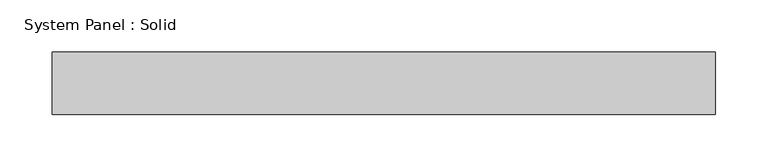
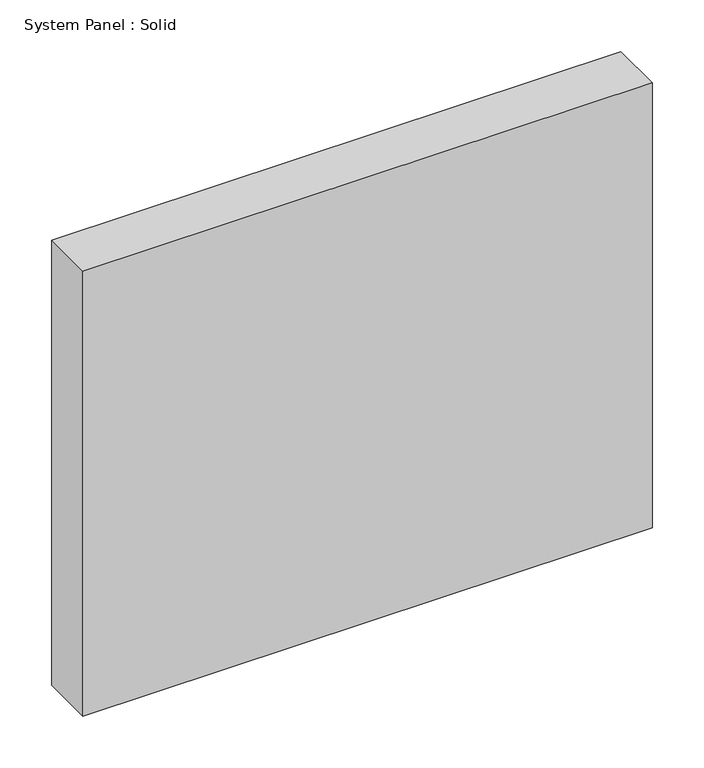
"""IFC4 building model written with IfcOpenShell, lengths in millimetres: plate geometry, System Panel : Solid."""

from ifc_helpers import new_model, si_unit, origin, origin_with_axes, place, context, project, spatial, polyline, outline, extrude, source, transform, mapped, element, save


def system_panel_solid_789a4c2d(model_context):
    return source(origin(), model_context, "Body", "SweptSolid", [
        extrude(outline(polyline([(317.5, -49.5), (-317.5, -49.5), (-317.5, 10.5), (317.5, 10.5), (317.5, -49.5)])), origin_with_axes(), (0.0, 0.0, 1.0), 525.0),
    ])


if __name__ == "__main__":
    model = new_model("IFC4")
    model_context = context("Model", 3, world=origin())
    ifc_project = project(units=[si_unit("LENGTHUNIT", "METRE", prefix="MILLI")], contexts=[model_context])
    site = spatial("IfcSite", under=ifc_project)
    building = spatial("IfcBuilding", under=site)
    placement = place(None, origin())
    system_panel_solid_shape = system_panel_solid_789a4c2d(model_context)
    element("IfcPlate", 1, ObjectType="System Panel : Solid", at=placement, inside=building, context=model_context, shape_type="MappedRepresentation", body=[
        mapped(system_panel_solid_shape, transform((0.0, 0.0, 0.0), x_axis=(1.0, 0.0, 0.0), y_axis=(0.0, 1.0, 0.0), z_axis=(0.0, 0.0, 1.0))),
    ])
    save(model, "model.ifc")
